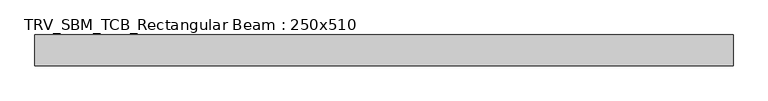
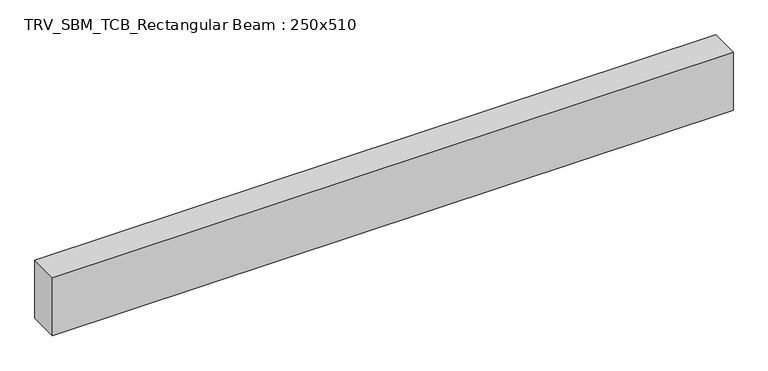
"""IFC4 building model written with IfcOpenShell, lengths in millimetres: beam geometry, TRV_SBM_TCB_Rectangular Beam : 250x510."""

from ifc_helpers import new_model, si_unit, frame, origin, place, context, project, spatial, polyline, outline, extrude, source, transform, mapped, element, save


def trv_sbm_tcb_rectangular_beam_250x510_60e05df9(model_context):
    return source(origin(), model_context, "Body", "SweptSolid", [
        extrude(outline(polyline([(2829.2, 125.0), (2829.2, -125.0), (-2829.2, -125.0), (-2829.2, 125.0), (2829.2, 125.0)])), frame((0.0, 0.0, -255.0), z_axis=(0.0, 0.0, 1.0), x_axis=(1.0, 0.0, 0.0)), (0.0, 0.0, 1.0), 510.0),
    ])


if __name__ == "__main__":
    model = new_model("IFC4")
    model_context = context("Model", 3, world=origin())
    ifc_project = project(units=[si_unit("LENGTHUNIT", "METRE", prefix="MILLI")], contexts=[model_context])
    site = spatial("IfcSite", under=ifc_project)
    building = spatial("IfcBuilding", under=site)
    placement = place(None, origin())
    trv_sbm_tcb_rectangular_beam_250x510_shape = trv_sbm_tcb_rectangular_beam_250x510_60e05df9(model_context)
    element("IfcBeam", 1, ObjectType="TRV_SBM_TCB_Rectangular Beam : 250x510", at=placement, inside=building, context=model_context, shape_type="MappedRepresentation", body=[
        mapped(trv_sbm_tcb_rectangular_beam_250x510_shape, transform((0.0, 0.0, 0.0), x_axis=(1.0, 0.0, 0.0), y_axis=(0.0, 1.0, 0.0), z_axis=(0.0, 0.0, 1.0))),
    ])
    save(model, "model.ifc")
